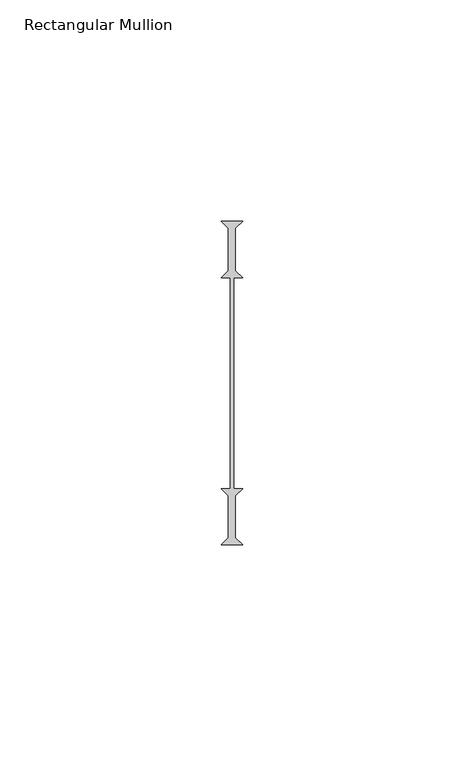
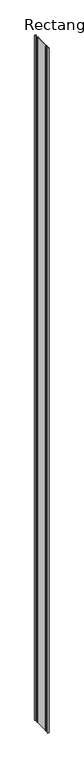
"""IFC4 building model written with IfcOpenShell, lengths in millimetres: member geometry, Rectangular Mullion."""

from ifc_helpers import new_model, si_unit, frame, origin, place, context, project, spatial, polyline, outline, extrude, source, transform, mapped, element, save


def rectangular_mullion_f0019f36(model_context):
    return source(origin(), model_context, "Body", "SweptSolid", [
        extrude(outline(polyline([(-2.38125, 36.5125), (2.38125, 36.5125), (0.79375, 34.925), (0.79375, 25.4), (2.38125, 23.8125), (0.396875, 23.8125), (0.396875, -23.8125), (2.38125, -23.8125), (0.79375, -25.4), (0.79375, -34.925), (2.38125, -36.5125), (-2.38125, -36.5125), (-0.79375, -34.925), (-0.79375, -25.4), (-2.38125, -23.8125), (-0.396875, -23.8125), (-0.396875, 23.8125), (-2.38125, 23.8125), (-0.79375, 25.4), (-0.79375, 34.925), (-2.38125, 36.5125)])), frame((0.0, 0.0, -2336.8), z_axis=(0.0, 0.0, 1.0), x_axis=(1.0, 0.0, 0.0)), (0.0, 0.0, 1.0), 2336.8),
    ])


if __name__ == "__main__":
    model = new_model("IFC4")
    model_context = context("Model", 3, world=origin())
    ifc_project = project(units=[si_unit("LENGTHUNIT", "METRE", prefix="MILLI")], contexts=[model_context])
    site = spatial("IfcSite", under=ifc_project)
    building = spatial("IfcBuilding", under=site)
    placement = place(None, origin())
    rectangular_mullion_shape = rectangular_mullion_f0019f36(model_context)
    element("IfcMember", 1, ObjectType="Rectangular Mullion", at=placement, inside=building, context=model_context, shape_type="MappedRepresentation", body=[
        mapped(rectangular_mullion_shape, transform((0.0, 0.0, 0.0), x_axis=(1.0, 0.0, 0.0), y_axis=(0.0, 1.0, 0.0), z_axis=(0.0, 0.0, 1.0))),
    ])
    save(model, "model.ifc")
